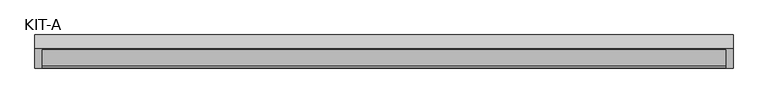
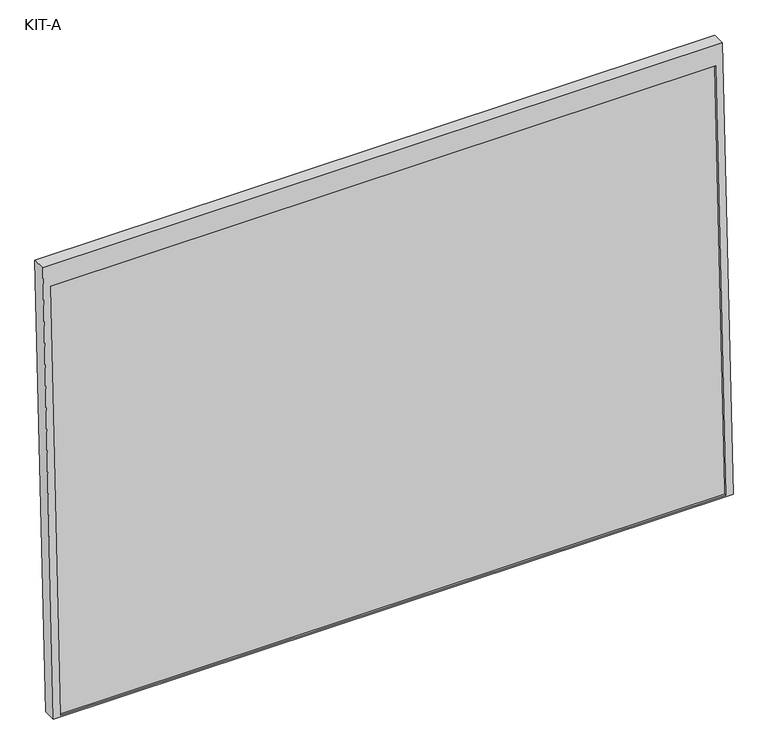
"""IFC4 building model written with IfcOpenShell, lengths in millimetres: plate geometry, KIT-A."""

from ifc_helpers import new_model, si_unit, frame, origin, place, context, project, spatial, polyline, outline, extrude, source, transform, mapped, element, save


def kit_a_f41f7ec2(model_context):
    return source(origin(), model_context, "Body", "SweptSolid", [
        extrude(outline(polyline([(0.0, 0.0), (0.0, -1741.0), (-1195.0, -1741.0), (-1195.0, 0.0), (0.0, 0.0)]), holes=[polyline([(-55.0, -18.5), (-1191.0441175, -18.5), (-1191.0441175, -1722.5), (-55.0, -1722.5), (-55.0, -18.5)])]), frame((-870.5, 9.1550345, 1115.0528455), z_axis=(0.0, -0.9992101801000246, 0.039736834102334216), x_axis=(0.0, 0.039736834102334216, 0.9992101801000246)), (0.0, 0.0, 1.0), 35.0),
        extrude(outline(polyline([(0.0, -1704.0), (0.0, 0.0), (27.4505712, 0.0), (27.4505712, -1704.0), (0.0, -1704.0)])), frame((-852.0, -68.1495934, -73.8584567), z_axis=(0.0, 0.03973683410233643, 0.9992101801000245), x_axis=(0.0, 0.9992101801000245, -0.03973683410233643)), (0.0, 0.0, 1.0), 1136.0441176),
    ])


if __name__ == "__main__":
    model = new_model("IFC4")
    model_context = context("Model", 3, world=origin())
    ifc_project = project(units=[si_unit("LENGTHUNIT", "METRE", prefix="MILLI")], contexts=[model_context])
    site = spatial("IfcSite", under=ifc_project)
    building = spatial("IfcBuilding", under=site)
    placement = place(None, origin())
    kit_a_shape = kit_a_f41f7ec2(model_context)
    element("IfcPlate", 1, ObjectType="KIT-A", at=placement, inside=building, context=model_context, shape_type="MappedRepresentation", body=[
        mapped(kit_a_shape, transform((0.0, 0.0, 0.0), x_axis=(1.0, 0.0, 0.0), y_axis=(0.0, 1.0, 0.0), z_axis=(0.0, 0.0, 1.0))),
    ])
    save(model, "model.ifc")
